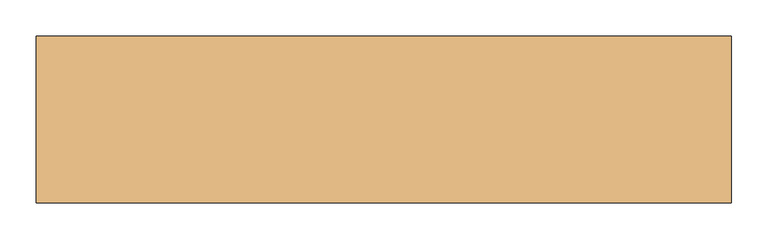
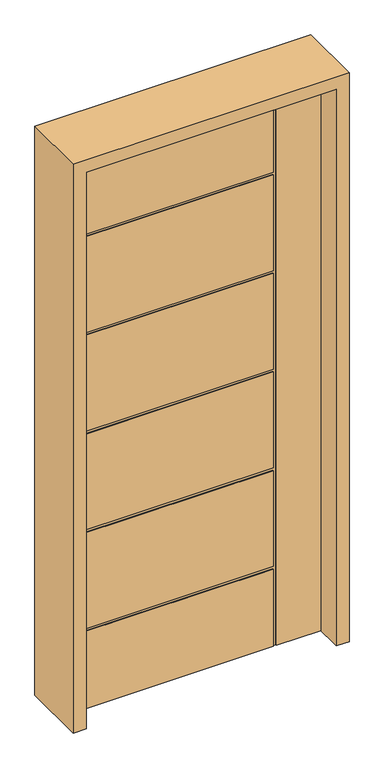
"""IFC4 building model written with IfcOpenShell, lengths in millimetres: door geometry."""

import ifcopenshell
import ifcopenshell.guid

model = None  # the IFC model being written
_history = None  # IfcOwnerHistory: only IFC2X3 demands one
_inside = {}  # id of a spatial element -> (the spatial element, [elements in it])
_under = {}  # id of a project, library or spatial element -> (it, [spatial elements below it])
_declared = {}  # id of a project -> (the project, [libraries it declares])
_typed = {}  # id of a type object -> (the type object, [elements of that type])
_made_of = {}  # id of a material, layer set ... -> (it, [elements and type objects made of it])


def new_model(schema):
    """Start an empty IFC model of exactly this schema.

    Asked for "IFC4X3", IfcOpenShell would pick the latest addendum, in which some entities
    have other attributes; the version numbers below select the first issue.
    IFC2X3 requires an IfcOwnerHistory on every rooted entity: one is made here for all.
    """
    global model, _history
    if schema == "IFC4X3":
        model = ifcopenshell.file(schema_version=(4, 3, 0, 0))
    else:
        model = ifcopenshell.file(schema=schema)
    _inside.clear()
    _under.clear()
    _declared.clear()
    _typed.clear()
    _made_of.clear()
    _history = None
    if model.schema == "IFC2X3":
        org = make("IfcOrganization", Name="unknown")
        user = make(
            "IfcPersonAndOrganization",
            ThePerson=make("IfcPerson", FamilyName="unknown"),
            TheOrganization=org,
        )
        app = make(
            "IfcApplication",
            ApplicationDeveloper=org,
            Version="unknown",
            ApplicationFullName="unknown",
            ApplicationIdentifier="unknown",
        )
        _history = make(
            "IfcOwnerHistory",
            OwningUser=user,
            OwningApplication=app,
            ChangeAction="ADDED",
            CreationDate=0,
        )
    return model


def make(cls, **values):
    """One entity of the class cls with the attributes given. An attribute that is None is left unset."""
    return model.create_entity(
        cls, **{name: value for name, value in values.items() if value is not None}
    )


def rooted(cls, **values):
    """An entity with a GlobalId (a new one), such as an element, a storey or a relation."""
    return make(cls, GlobalId=ifcopenshell.guid.new(), OwnerHistory=_history, **values)


def si_unit(unit_type, name, prefix=None):
    """IfcSIUnit, for example si_unit("LENGTHUNIT", "METRE", prefix="MILLI")."""
    return make("IfcSIUnit", UnitType=unit_type, Prefix=prefix, Name=name)


def assignment(units):
    """IfcUnitAssignment: the units of a project."""
    return None if units is None else make("IfcUnitAssignment", Units=units)


def point(xyz):
    """IfcCartesianPoint."""
    return None if xyz is None else make("IfcCartesianPoint", Coordinates=xyz)


def direction(xyz):
    """IfcDirection."""
    return None if xyz is None else make("IfcDirection", DirectionRatios=xyz)


def frame(location, z_axis=None, x_axis=None):
    """IfcAxis2Placement3D, a coordinate frame: its origin and axes. An axis left out is left unset."""
    return make(
        "IfcAxis2Placement3D",
        Location=point(location),
        Axis=direction(z_axis),
        RefDirection=direction(x_axis),
    )


def origin():
    """The frame at (0, 0, 0) with its axes left unset."""
    return frame((0.0, 0.0, 0.0))


def place(relative_to, where):
    """IfcLocalPlacement: puts the frame where relative to a parent placement (None: the world)."""
    return make(
        "IfcLocalPlacement", PlacementRelTo=relative_to, RelativePlacement=where
    )


def context(
    kind, dimensions, precision=None, world=None, true_north=None, identifier=None
):
    """IfcGeometricRepresentationContext, for example the 3D "Model" context."""
    return make(
        "IfcGeometricRepresentationContext",
        ContextIdentifier=identifier,
        ContextType=kind,
        CoordinateSpaceDimension=dimensions,
        Precision=precision,
        WorldCoordinateSystem=world,
        TrueNorth=true_north,
    )


def project(units=None, contexts=None):
    """IfcProject with its units and contexts."""
    return rooted(
        "IfcProject",
        Name="project",
        RepresentationContexts=contexts,
        UnitsInContext=assignment(units),
    )


def spatial(cls, under=None, at=None, **own):
    """A site, building, storey or space (cls), placed at a placement, below another one or the project."""
    s = rooted(cls, ObjectPlacement=at, **own)
    if under is not None:
        _under.setdefault(under.id(), (under, []))[1].append(s)
    return s


def polyline(points):
    """IfcPolyline through the points."""
    return make("IfcPolyline", Points=[point(p) for p in points])


def outline(outer, holes=None, kind="AREA"):
    """IfcArbitraryClosedProfileDef: a profile drawn as a closed curve; with holes, ...WithVoids."""
    if holes is None:
        return make("IfcArbitraryClosedProfileDef", ProfileType=kind, OuterCurve=outer)
    return make(
        "IfcArbitraryProfileDefWithVoids",
        ProfileType=kind,
        OuterCurve=outer,
        InnerCurves=holes,
    )


def extrude(swept, where, along, depth):
    """IfcExtrudedAreaSolid: the profile swept, set in the frame where, extruded along a direction by depth."""
    return make(
        "IfcExtrudedAreaSolid",
        SweptArea=swept,
        Position=where,
        ExtrudedDirection=direction(along),
        Depth=depth,
    )


def faces_of(points, faces, orient=None, outer=None):
    """IfcFace entities. A face is a list of loops; a loop is a list of indices into points, from 0.

    orient and outer hold one flag for each loop. By default every Orientation is true, the
    first loop of a face is its IfcFaceOuterBound and the others are IfcFaceBound.
    """
    made = []
    for i, loops in enumerate(faces):
        bounds = []
        for j, loop in enumerate(loops):
            is_outer = j == 0 if outer is None else outer[i][j]
            bounds.append(
                make(
                    "IfcFaceOuterBound" if is_outer else "IfcFaceBound",
                    Bound=make("IfcPolyLoop", Polygon=[points[k] for k in loop]),
                    Orientation=True if orient is None else orient[i][j],
                )
            )
        made.append(make("IfcFace", Bounds=bounds))
    return made


def faceted_brep(points, faces, orient=None, outer=None, voids=None):
    """IfcFacetedBrep: a solid bounded by flat faces; with voids (closed shells), ...WithVoids."""
    shared = [point(p) for p in points]
    hull = make("IfcClosedShell", CfsFaces=faces_of(shared, faces, orient, outer))
    if voids is None:
        return make("IfcFacetedBrep", Outer=hull)
    return make(
        "IfcFacetedBrepWithVoids",
        Outer=hull,
        Voids=[
            make(cls, CfsFaces=faces_of(shared, fs, o, b)) for cls, fs, o, b in voids
        ],
    )


def shape(context_of_items, identifier, shape_type, items):
    """IfcShapeRepresentation: the items that make up one representation, for example the "Body"."""
    return make(
        "IfcShapeRepresentation",
        ContextOfItems=context_of_items,
        RepresentationIdentifier=identifier,
        RepresentationType=shape_type,
        Items=items,
    )


def source(mapping_origin, context_of_items, identifier, shape_type, items):
    """IfcRepresentationMap: a shape defined once, which mapped items show again and again."""
    return make(
        "IfcRepresentationMap",
        MappingOrigin=mapping_origin,
        MappedRepresentation=shape(context_of_items, identifier, shape_type, items),
    )


def transform(
    local_origin,
    x_axis=None,
    y_axis=None,
    z_axis=None,
    scale=None,
    scale2=None,
    scale3=None,
    uniform=True,
):
    """IfcCartesianTransformationOperator3D, or its non-uniform kind. x_axis, y_axis, z_axis: its Axis1, 2, 3."""
    if uniform:
        return make(
            "IfcCartesianTransformationOperator3D",
            Axis1=direction(x_axis),
            Axis2=direction(y_axis),
            LocalOrigin=point(local_origin),
            Scale=scale,
            Axis3=direction(z_axis),
        )
    return make(
        "IfcCartesianTransformationOperator3DnonUniform",
        Axis1=direction(x_axis),
        Axis2=direction(y_axis),
        LocalOrigin=point(local_origin),
        Scale=scale,
        Axis3=direction(z_axis),
        Scale2=scale2,
        Scale3=scale3,
    )


def mapped(mapping_source, mapping_target):
    """IfcMappedItem: shows the shape of a source again, moved by a transform."""
    return make(
        "IfcMappedItem", MappingSource=mapping_source, MappingTarget=mapping_target
    )


def made_of(thing, what):
    """Note that an element or type object is made of a material, layer set ...; save() writes the relation."""
    if what is not None:
        _made_of.setdefault(what.id(), (what, []))[1].append(thing)
    return thing


def element(
    cls,
    number,
    at=None,
    inside=None,
    cuts=None,
    type_object=None,
    material=None,
    context=None,
    identifier="Body",
    shape_type=None,
    held_by="IfcProductDefinitionShape",
    body=None,
    shapes=None,
    **own,
):
    """One element of the class cls, such as IfcWall. Its Tag is "e" and its number.

    at: its placement. inside: the storey or other place that contains it. cuts: it is an
    opening in that element (IfcRelVoidsElement). A single representation is given by context,
    identifier, shape_type and body (its items); several are given by shapes. held_by: the class
    of the entity that holds the representations. save() writes the other relations.
    """
    e = rooted(cls, Tag="e%d" % number, ObjectPlacement=at, **own)
    if body is not None:
        shapes = [shape(context, identifier, shape_type, body)]
    if shapes is not None:
        e.Representation = make(held_by, Representations=shapes)
    if inside is not None:
        _inside.setdefault(inside.id(), (inside, []))[1].append(e)
    if cuts is not None:
        rooted(
            "IfcRelVoidsElement", RelatingBuildingElement=cuts, RelatedOpeningElement=e
        )
    if type_object is not None:
        _typed.setdefault(type_object.id(), (type_object, []))[1].append(e)
    return made_of(e, material)


def aggregate(whole, parts):
    """IfcRelAggregates: a whole, such as a stair, and the parts it consists of."""
    return rooted("IfcRelAggregates", RelatingObject=whole, RelatedObjects=parts)


def save(model, path):
    """Write the relations noted so far, then the file.

    IfcRelAggregates (storeys below a building ...), IfcRelContainedInSpatialStructure (elements
    in a storey), IfcRelDefinesByType, IfcRelAssociatesMaterial and IfcRelDeclares: one each for
    every whole, place, type object, material and project.
    """
    for whole, parts in _under.values():
        aggregate(whole, parts)
    for where, things in _inside.values():
        rooted(
            "IfcRelContainedInSpatialStructure",
            RelatedElements=things,
            RelatingStructure=where,
        )
    for kind, things in _typed.values():
        rooted("IfcRelDefinesByType", RelatedObjects=things, RelatingType=kind)
    for what, things in _made_of.values():
        rooted("IfcRelAssociatesMaterial", RelatedObjects=things, RelatingMaterial=what)
    for by, libraries in _declared.values():
        rooted("IfcRelDeclares", RelatingContext=by, RelatedDefinitions=libraries)
    model.write(path)


def door_65b2934a(model_context):
    return source(origin(), model_context, "Body", "SolidModel", [
        faceted_brep([(-431.8, -22.225, 0.0), (-431.8, 22.225, 0.0), (268.224, 22.225, 0.0), (268.224, 18.923, 0.0), (278.13, 18.923, 0.0), (278.13, 22.225, 0.0), (431.8, 22.225, 0.0), (431.8, -22.225, 0.0), (278.13, -22.225, 0.0), (278.13, -18.923, 0.0), (268.224, -18.923, 0.0), (268.224, -22.225, 0.0), (-431.8, -22.225, 2032.0), (-431.8, 22.225, 2032.0), (-431.8, 22.225, 1731.518), (-431.8, 18.923, 1731.518), (-431.8, 18.923, 1721.612), (-431.8, 22.225, 1721.612), (-431.8, 22.225, 1371.6), (-431.8, 18.923, 1371.6), (-431.8, 18.923, 1361.694), (-431.8, 22.225, 1361.694), (-431.8, 22.225, 1011.682), (-431.8, 18.923, 1011.682), (-431.8, 18.923, 1001.776), (-431.8, 22.225, 1001.776), (-431.8, 22.225, 651.764), (-431.8, 18.923, 651.764), (-431.8, 18.923, 641.858), (-431.8, 22.225, 641.858), (-431.8, 22.225, 291.846), (-431.8, 18.923, 291.846), (-431.8, 18.923, 281.94), (-431.8, 22.225, 281.94), (-431.8, -22.225, 281.94), (-431.8, -18.923, 281.94), (-431.8, -18.923, 291.846), (-431.8, -22.225, 291.846), (-431.8, -22.225, 641.858), (-431.8, -18.923, 641.858), (-431.8, -18.923, 651.764), (-431.8, -22.225, 651.764), (-431.8, -22.225, 1001.776), (-431.8, -18.923, 1001.776), (-431.8, -18.923, 1011.682), (-431.8, -22.225, 1011.682), (-431.8, -22.225, 1361.694), (-431.8, -18.923, 1361.694), (-431.8, -18.923, 1371.6), (-431.8, -22.225, 1371.6), (-431.8, -22.225, 1721.612), (-431.8, -18.923, 1721.612), (-431.8, -18.923, 1731.518), (-431.8, -22.225, 1731.518), (268.224, 22.225, 281.94), (268.224, 22.225, 1721.612), (268.224, 22.225, 1371.6), (268.224, 22.225, 1361.694), (268.224, 22.225, 1011.682), (268.224, 22.225, 1001.776), (268.224, 22.225, 651.764), (268.224, 22.225, 641.858), (268.224, 22.225, 291.846), (431.8, 22.225, 2032.0), (278.13, 22.225, 2032.0), (268.224, 22.225, 2032.0), (268.224, 22.225, 1731.518), (268.224, 18.923, 281.94), (268.224, 18.923, 291.846), (268.224, 18.923, 641.858), (268.224, 18.923, 651.764), (268.224, 18.923, 1001.776), (268.224, 18.923, 1011.682), (268.224, 18.923, 1361.694), (268.224, 18.923, 1371.6), (268.224, 18.923, 1721.612), (268.224, 18.923, 1731.518), (268.224, 18.923, 2032.0), (278.13, 18.923, 2032.0), (431.8, -22.225, 2032.0), (268.224, -22.225, 281.94), (278.13, -22.225, 2032.0), (268.224, -22.225, 291.846), (268.224, -22.225, 641.858), (268.224, -22.225, 651.764), (268.224, -22.225, 1001.776), (268.224, -22.225, 1011.682), (268.224, -22.225, 1361.694), (268.224, -22.225, 1371.6), (268.224, -22.225, 1721.612), (268.224, -22.225, 2032.0), (268.224, -22.225, 1731.518), (268.224, -18.923, 2032.0), (278.13, -18.923, 2032.0), (268.224, -18.923, 291.846), (268.224, -18.923, 281.94), (268.224, -18.923, 1731.518), (268.224, -18.923, 1721.612), (268.224, -18.923, 1371.6), (268.224, -18.923, 1361.694), (268.224, -18.923, 1011.682), (268.224, -18.923, 1001.776), (268.224, -18.923, 651.764), (268.224, -18.923, 641.858)], [[[0, 1, 2, 3, 4, 5, 6, 7, 8, 9, 10, 11]], [[12, 13, 14, 15, 16, 17, 18, 19, 20, 21, 22, 23, 24, 25, 26, 27, 28, 29, 30, 31, 32, 33, 1, 0, 34, 35, 36, 37, 38, 39, 40, 41, 42, 43, 44, 45, 46, 47, 48, 49, 50, 51, 52, 53]], [[2, 1, 33, 54]], [[18, 17, 55, 56]], [[22, 21, 57, 58]], [[26, 25, 59, 60]], [[30, 29, 61, 62]], [[63, 6, 5, 64]], [[13, 65, 66, 14]], [[67, 3, 2, 54]], [[68, 69, 28, 27, 70, 71, 24, 23, 72, 73, 20, 19, 74, 75, 16, 15, 76, 77, 78, 4, 3, 67, 32, 31]], [[63, 79, 7, 6]], [[0, 11, 80, 34]], [[7, 79, 81, 8]], [[38, 37, 82, 83]], [[42, 41, 84, 85]], [[46, 45, 86, 87]], [[50, 49, 88, 89]], [[90, 12, 53, 91]], [[32, 67, 54, 33]], [[28, 69, 61, 29]], [[69, 68, 62, 61]], [[68, 31, 30, 62]], [[24, 71, 59, 25]], [[71, 70, 60, 59]], [[70, 27, 26, 60]], [[73, 72, 58, 57]], [[72, 23, 22, 58]], [[79, 63, 64, 78, 77, 65, 13, 12, 90, 92, 93, 81]], [[20, 73, 57, 21]], [[74, 19, 18, 56]], [[75, 74, 56, 55]], [[16, 75, 55, 17]], [[76, 15, 14, 66]], [[77, 76, 66, 65]], [[4, 78, 64, 5]], [[93, 9, 8, 81]], [[94, 36, 35, 95, 10, 9, 93, 92, 96, 52, 51, 97, 98, 48, 47, 99, 100, 44, 43, 101, 102, 40, 39, 103]], [[10, 95, 80, 11]], [[95, 35, 34, 80]], [[36, 94, 82, 37]], [[94, 103, 83, 82]], [[103, 39, 38, 83]], [[40, 102, 84, 41]], [[102, 101, 85, 84]], [[101, 43, 42, 85]], [[44, 100, 86, 45]], [[100, 99, 87, 86]], [[99, 47, 46, 87]], [[48, 98, 88, 49]], [[98, 97, 89, 88]], [[97, 51, 50, 89]], [[52, 96, 91, 53]], [[96, 92, 90, 91]]]),
        extrude(outline(polyline([(0.0, -476.25), (0.0, -431.8), (2032.0, -431.8), (2032.0, 431.8), (0.0, 431.8), (0.0, 476.25), (2076.45, 476.25), (2076.45, -476.25), (0.0, -476.25)])), frame((0.0, -114.3, 0.0), z_axis=(0.0, 1.0, 0.0), x_axis=(0.0, 0.0, 1.0)), (0.0, 0.0, 1.0), 228.6),
    ])


if __name__ == "__main__":
    model = new_model("IFC4")
    model_context = context("Model", 3, world=origin())
    ifc_project = project(units=[si_unit("LENGTHUNIT", "METRE", prefix="MILLI")], contexts=[model_context])
    site = spatial("IfcSite", under=ifc_project)
    building = spatial("IfcBuilding", under=site)
    placement = place(None, origin())
    door_shape = door_65b2934a(model_context)
    element("IfcDoor", 1, at=placement, inside=building, context=model_context, shape_type="MappedRepresentation", body=[
        mapped(door_shape, transform((0.0, 0.0, 0.0), x_axis=(1.0, 0.0, 0.0), y_axis=(0.0, 1.0, 0.0), z_axis=(0.0, 0.0, 1.0))),
    ])
    save(model, "model.ifc")
